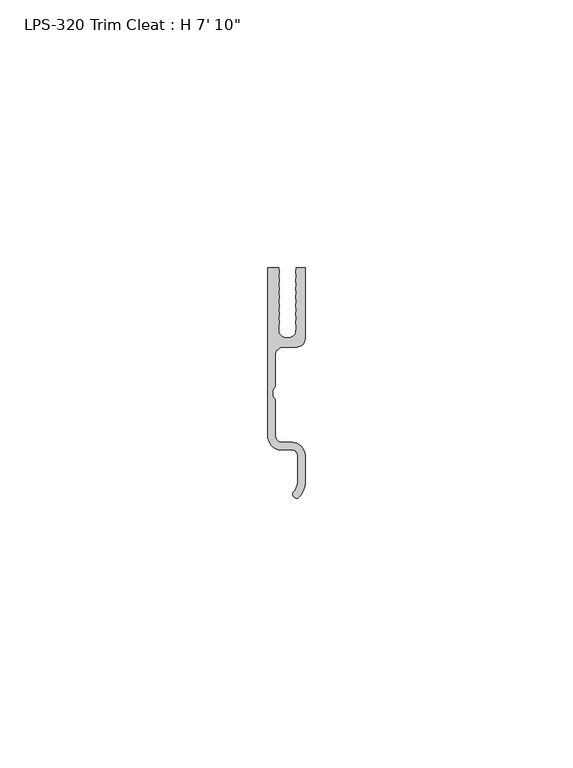
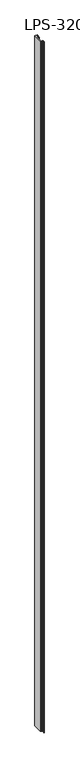
"""IFC4 building model written with IfcOpenShell, lengths in millimetres: proxy geometry."""

from ifc_helpers import new_model, si_unit, point, frame_2d, origin, origin_with_axes, place, context, project, spatial, polyline, circle_curve, trimmed, segment, composite_curve, outline, extrude, source, transform, mapped, element, save


def proxy_62012342(model_context):
    return source(origin(), model_context, "Body", "SweptSolid", [
        extrude(outline(composite_curve([segment(polyline([(-2.1139529, 5.112905), (-2.1139529, -0.631127), (-2.5000324, -1.357237), (-2.5000324, -2.445017), (-2.1139529, -3.171127), (-2.1139529, -9.7115431)]), True, "CONTINUOUS"), segment(trimmed(circle_curve(frame_2d((-0.6584036, -9.7115431)), 1.4555494), [point((-2.1139529, -9.7115431))], [point((-1.0293528, -11.1190305))], True, "CARTESIAN"), True, "CONTINUOUS"), segment(polyline([(-1.0293528, -11.1190305), (1.0783304, -11.1190305)]), True, "CONTINUOUS"), segment(trimmed(circle_curve(frame_2d((1.041874, -13.5898795)), 2.4711179), [point((1.0783304, -11.1190305))], [point((3.5109529, -13.4895157))], False, "CARTESIAN"), True, "CONTINUOUS"), segment(polyline([(3.5109529, -13.4895157), (3.5109529, -18.5410704)]), True, "CONTINUOUS"), segment(trimmed(circle_curve(frame_2d((-0.5911471, -18.5410704)), 4.1021), [point((3.5109529, -18.5410704))], [point((2.25856, -21.4917303))], False, "CARTESIAN"), True, "CONTINUOUS"), segment(trimmed(circle_curve(frame_2d((1.9778743, -20.7675473)), 0.7766759), [point((2.25856, -21.4917303))], [point((1.2367952, -20.5351098))], False, "CARTESIAN"), True, "CONTINUOUS"), segment(trimmed(circle_curve(frame_2d((-0.5911471, -18.5410704)), 2.7051), [point((1.2367952, -20.5351098))], [point((2.1139529, -18.5410704))], True, "CARTESIAN"), True, "CONTINUOUS"), segment(polyline([(2.1139529, -18.5410704), (2.1139529, -13.523728)]), True, "CONTINUOUS"), segment(trimmed(circle_curve(frame_2d((1.041874, -13.5898795)), 1.0741179), [point((2.1139529, -13.523728))], [point((1.0659086, -12.5160305))], True, "CARTESIAN"), True, "CONTINUOUS"), segment(polyline([(1.0659086, -12.5160305), (-1.2210311, -12.5160305)]), True, "CONTINUOUS"), segment(trimmed(circle_curve(frame_2d((-1.2210311, -10.9615505)), 1.55448), [point((-1.2210311, -12.5160305))], [point((-1.9760611, -12.3203506))], False, "CARTESIAN"), True, "CONTINUOUS"), segment(trimmed(circle_curve(frame_2d((-0.5264529, -9.7115431)), 2.9845), [point((-1.9760611, -12.3203506))], [point((-3.5109529, -9.7115431))], False, "CARTESIAN"), True, "CONTINUOUS"), segment(polyline([(-3.5109529, -9.7115431), (-3.5109529, 21.5613778), (-1.4602197, 21.5613778), (-1.315047, 20.7690222), (-1.4602197, 19.9766667), (-1.315047, 19.1843112), (-1.4602197, 18.3919557), (-1.315047, 17.5996002), (-1.4602197, 16.8072447), (-1.315047, 16.0148891), (-1.4602197, 15.2225336), (-1.315047, 14.4301781), (-1.4602197, 13.6378226), (-1.315047, 12.8454671), (-1.4602197, 12.0531116), (-1.315047, 11.260756), (-1.4602197, 10.4684005), (-1.3787348, 9.3284358)]), True, "CONTINUOUS"), segment(trimmed(circle_curve(frame_2d((0.2051903, 10.224684)), 1.8199119), [point((-1.3787348, 9.3284358))], [point((1.7947896, 9.3385388))], True, "CARTESIAN"), True, "CONTINUOUS"), segment(polyline([(1.7947896, 9.3385388), (1.8781256, 10.4684005), (1.7329529, 11.260756), (1.8781256, 12.0531116), (1.7329529, 12.8454671), (1.8781256, 13.6378226), (1.7329529, 14.4301781), (1.8781256, 15.2225336), (1.7329529, 16.0148891), (1.8781256, 16.8072447), (1.7329529, 17.5996002), (1.8781256, 18.3919557), (1.7329529, 19.1843112), (1.8781256, 19.9766667), (1.7329529, 20.7690222), (1.8781256, 21.5613778), (3.5109529, 21.5613778), (3.5109529, 8.287905)]), True, "CONTINUOUS"), segment(trimmed(circle_curve(frame_2d((1.9234529, 8.287905)), 1.5875), [point((3.5109529, 8.287905))], [point((1.9234529, 6.700405))], False, "CARTESIAN"), True, "CONTINUOUS"), segment(polyline([(1.9234529, 6.700405), (-0.5264529, 6.700405)]), True, "CONTINUOUS"), segment(trimmed(circle_curve(frame_2d((-0.5264529, 5.112905)), 1.5875), [point((-0.5264529, 6.700405))], [point((-2.1139529, 5.112905))], True, "CARTESIAN"), True, "CONTINUOUS")], self_intersect=False)), origin_with_axes(), (0.0, 0.0, 1.0), 2387.6),
    ])


if __name__ == "__main__":
    model = new_model("IFC4")
    model_context = context("Model", 3, world=origin())
    ifc_project = project(units=[si_unit("LENGTHUNIT", "METRE", prefix="MILLI")], contexts=[model_context])
    site = spatial("IfcSite", under=ifc_project)
    building = spatial("IfcBuilding", under=site)
    placement = place(None, origin())
    proxy_shape = proxy_62012342(model_context)
    element("IfcBuildingElementProxy", 1, Name="LPS-320 Trim Cleat : H 7' 10\"", ObjectType="LPS-320 Trim Cleat : H 7' 10\"", at=placement, inside=building, context=model_context, shape_type="MappedRepresentation", body=[
        mapped(proxy_shape, transform((0.0, 0.0, 0.0), x_axis=(1.0, 0.0, 0.0), y_axis=(0.0, 1.0, 0.0), z_axis=(0.0, 0.0, 1.0))),
    ])
    save(model, "model.ifc")
